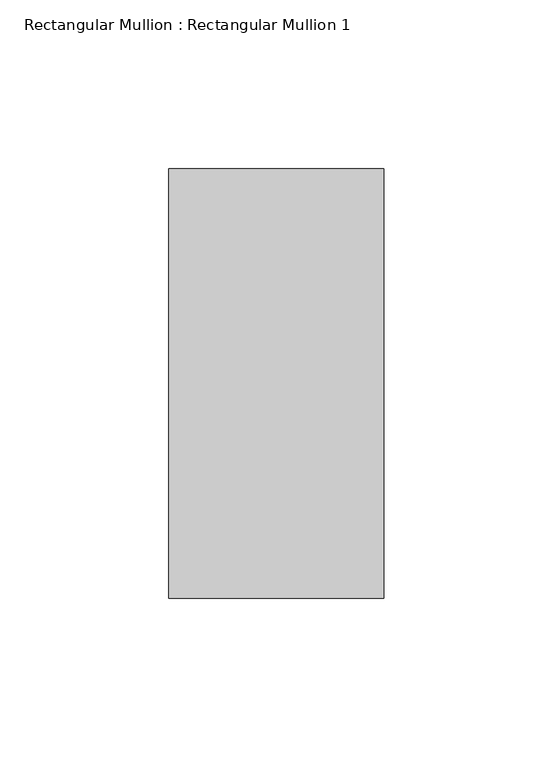
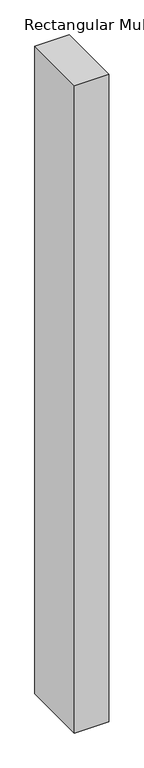
"""IFC4 building model written with IfcOpenShell, lengths in millimetres: member geometry, Rectangular Mullion : Rectangular Mullion 1."""

from ifc_helpers import new_model, si_unit, frame, origin, place, context, project, spatial, polyline, outline, extrude, source, transform, mapped, element, save


def rectangular_mullion_rectangular_mullion_1_4accc683(model_context):
    return source(origin(), model_context, "Body", "SweptSolid", [
        extrude(outline(polyline([(0.0, 188.5), (0.0, 61.5), (-63.6, 61.5), (-63.6, 188.5), (0.0, 188.5)])), frame((0.0, 0.0, -1268.2), z_axis=(0.0, 0.0, 1.0), x_axis=(1.0, 0.0, 0.0)), (0.0, 0.0, 1.0), 1268.2),
    ])


if __name__ == "__main__":
    model = new_model("IFC4")
    model_context = context("Model", 3, world=origin())
    ifc_project = project(units=[si_unit("LENGTHUNIT", "METRE", prefix="MILLI")], contexts=[model_context])
    site = spatial("IfcSite", under=ifc_project)
    building = spatial("IfcBuilding", under=site)
    placement = place(None, origin())
    rectangular_mullion_rectangular_mullion_1_shape = rectangular_mullion_rectangular_mullion_1_4accc683(model_context)
    element("IfcMember", 1, ObjectType="Rectangular Mullion : Rectangular Mullion 1", at=placement, inside=building, context=model_context, shape_type="MappedRepresentation", body=[
        mapped(rectangular_mullion_rectangular_mullion_1_shape, transform((0.0, 0.0, 0.0), x_axis=(1.0, 0.0, 0.0), y_axis=(0.0, 1.0, 0.0), z_axis=(0.0, 0.0, 1.0))),
    ])
    save(model, "model.ifc")
